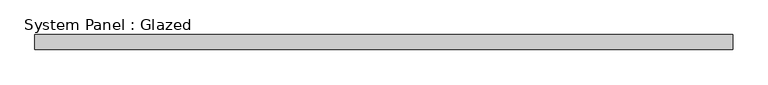
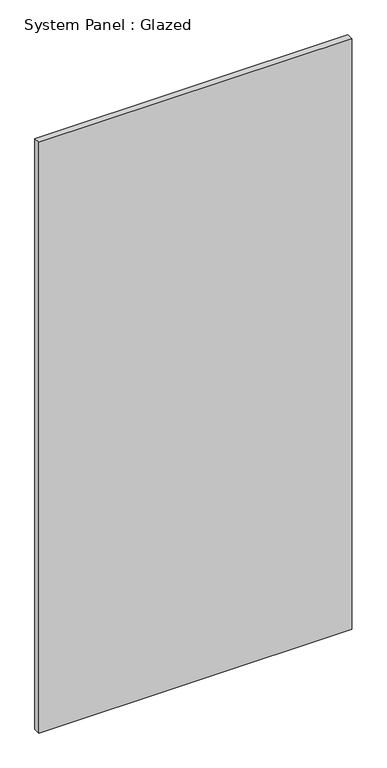
"""IFC4 building model written with IfcOpenShell, lengths in millimetres: plate geometry, System Panel : Glazed."""

import ifcopenshell
import ifcopenshell.guid

model = None  # the IFC model being written
_history = None  # IfcOwnerHistory: only IFC2X3 demands one
_inside = {}  # id of a spatial element -> (the spatial element, [elements in it])
_under = {}  # id of a project, library or spatial element -> (it, [spatial elements below it])
_declared = {}  # id of a project -> (the project, [libraries it declares])
_typed = {}  # id of a type object -> (the type object, [elements of that type])
_made_of = {}  # id of a material, layer set ... -> (it, [elements and type objects made of it])


def new_model(schema):
    """Start an empty IFC model of exactly this schema.

    Asked for "IFC4X3", IfcOpenShell would pick the latest addendum, in which some entities
    have other attributes; the version numbers below select the first issue.
    IFC2X3 requires an IfcOwnerHistory on every rooted entity: one is made here for all.
    """
    global model, _history
    if schema == "IFC4X3":
        model = ifcopenshell.file(schema_version=(4, 3, 0, 0))
    else:
        model = ifcopenshell.file(schema=schema)
    _inside.clear()
    _under.clear()
    _declared.clear()
    _typed.clear()
    _made_of.clear()
    _history = None
    if model.schema == "IFC2X3":
        org = make("IfcOrganization", Name="unknown")
        user = make(
            "IfcPersonAndOrganization",
            ThePerson=make("IfcPerson", FamilyName="unknown"),
            TheOrganization=org,
        )
        app = make(
            "IfcApplication",
            ApplicationDeveloper=org,
            Version="unknown",
            ApplicationFullName="unknown",
            ApplicationIdentifier="unknown",
        )
        _history = make(
            "IfcOwnerHistory",
            OwningUser=user,
            OwningApplication=app,
            ChangeAction="ADDED",
            CreationDate=0,
        )
    return model


def make(cls, **values):
    """One entity of the class cls with the attributes given. An attribute that is None is left unset."""
    return model.create_entity(
        cls, **{name: value for name, value in values.items() if value is not None}
    )


def rooted(cls, **values):
    """An entity with a GlobalId (a new one), such as an element, a storey or a relation."""
    return make(cls, GlobalId=ifcopenshell.guid.new(), OwnerHistory=_history, **values)


def si_unit(unit_type, name, prefix=None):
    """IfcSIUnit, for example si_unit("LENGTHUNIT", "METRE", prefix="MILLI")."""
    return make("IfcSIUnit", UnitType=unit_type, Prefix=prefix, Name=name)


def assignment(units):
    """IfcUnitAssignment: the units of a project."""
    return None if units is None else make("IfcUnitAssignment", Units=units)


def point(xyz):
    """IfcCartesianPoint."""
    return None if xyz is None else make("IfcCartesianPoint", Coordinates=xyz)


def direction(xyz):
    """IfcDirection."""
    return None if xyz is None else make("IfcDirection", DirectionRatios=xyz)


def frame(location, z_axis=None, x_axis=None):
    """IfcAxis2Placement3D, a coordinate frame: its origin and axes. An axis left out is left unset."""
    return make(
        "IfcAxis2Placement3D",
        Location=point(location),
        Axis=direction(z_axis),
        RefDirection=direction(x_axis),
    )


def origin():
    """The frame at (0, 0, 0) with its axes left unset."""
    return frame((0.0, 0.0, 0.0))


def origin_with_axes():
    """The frame at (0, 0, 0) with the z axis (0, 0, 1) and the x axis (1, 0, 0) written out."""
    return frame((0.0, 0.0, 0.0), z_axis=(0.0, 0.0, 1.0), x_axis=(1.0, 0.0, 0.0))


def place(relative_to, where):
    """IfcLocalPlacement: puts the frame where relative to a parent placement (None: the world)."""
    return make(
        "IfcLocalPlacement", PlacementRelTo=relative_to, RelativePlacement=where
    )


def context(
    kind, dimensions, precision=None, world=None, true_north=None, identifier=None
):
    """IfcGeometricRepresentationContext, for example the 3D "Model" context."""
    return make(
        "IfcGeometricRepresentationContext",
        ContextIdentifier=identifier,
        ContextType=kind,
        CoordinateSpaceDimension=dimensions,
        Precision=precision,
        WorldCoordinateSystem=world,
        TrueNorth=true_north,
    )


def project(units=None, contexts=None):
    """IfcProject with its units and contexts."""
    return rooted(
        "IfcProject",
        Name="project",
        RepresentationContexts=contexts,
        UnitsInContext=assignment(units),
    )


def spatial(cls, under=None, at=None, **own):
    """A site, building, storey or space (cls), placed at a placement, below another one or the project."""
    s = rooted(cls, ObjectPlacement=at, **own)
    if under is not None:
        _under.setdefault(under.id(), (under, []))[1].append(s)
    return s


def polyline(points):
    """IfcPolyline through the points."""
    return make("IfcPolyline", Points=[point(p) for p in points])


def outline(outer, holes=None, kind="AREA"):
    """IfcArbitraryClosedProfileDef: a profile drawn as a closed curve; with holes, ...WithVoids."""
    if holes is None:
        return make("IfcArbitraryClosedProfileDef", ProfileType=kind, OuterCurve=outer)
    return make(
        "IfcArbitraryProfileDefWithVoids",
        ProfileType=kind,
        OuterCurve=outer,
        InnerCurves=holes,
    )


def extrude(swept, where, along, depth):
    """IfcExtrudedAreaSolid: the profile swept, set in the frame where, extruded along a direction by depth."""
    return make(
        "IfcExtrudedAreaSolid",
        SweptArea=swept,
        Position=where,
        ExtrudedDirection=direction(along),
        Depth=depth,
    )


def shape(context_of_items, identifier, shape_type, items):
    """IfcShapeRepresentation: the items that make up one representation, for example the "Body"."""
    return make(
        "IfcShapeRepresentation",
        ContextOfItems=context_of_items,
        RepresentationIdentifier=identifier,
        RepresentationType=shape_type,
        Items=items,
    )


def source(mapping_origin, context_of_items, identifier, shape_type, items):
    """IfcRepresentationMap: a shape defined once, which mapped items show again and again."""
    return make(
        "IfcRepresentationMap",
        MappingOrigin=mapping_origin,
        MappedRepresentation=shape(context_of_items, identifier, shape_type, items),
    )


def transform(
    local_origin,
    x_axis=None,
    y_axis=None,
    z_axis=None,
    scale=None,
    scale2=None,
    scale3=None,
    uniform=True,
):
    """IfcCartesianTransformationOperator3D, or its non-uniform kind. x_axis, y_axis, z_axis: its Axis1, 2, 3."""
    if uniform:
        return make(
            "IfcCartesianTransformationOperator3D",
            Axis1=direction(x_axis),
            Axis2=direction(y_axis),
            LocalOrigin=point(local_origin),
            Scale=scale,
            Axis3=direction(z_axis),
        )
    return make(
        "IfcCartesianTransformationOperator3DnonUniform",
        Axis1=direction(x_axis),
        Axis2=direction(y_axis),
        LocalOrigin=point(local_origin),
        Scale=scale,
        Axis3=direction(z_axis),
        Scale2=scale2,
        Scale3=scale3,
    )


def mapped(mapping_source, mapping_target):
    """IfcMappedItem: shows the shape of a source again, moved by a transform."""
    return make(
        "IfcMappedItem", MappingSource=mapping_source, MappingTarget=mapping_target
    )


def made_of(thing, what):
    """Note that an element or type object is made of a material, layer set ...; save() writes the relation."""
    if what is not None:
        _made_of.setdefault(what.id(), (what, []))[1].append(thing)
    return thing


def element(
    cls,
    number,
    at=None,
    inside=None,
    cuts=None,
    type_object=None,
    material=None,
    context=None,
    identifier="Body",
    shape_type=None,
    held_by="IfcProductDefinitionShape",
    body=None,
    shapes=None,
    **own,
):
    """One element of the class cls, such as IfcWall. Its Tag is "e" and its number.

    at: its placement. inside: the storey or other place that contains it. cuts: it is an
    opening in that element (IfcRelVoidsElement). A single representation is given by context,
    identifier, shape_type and body (its items); several are given by shapes. held_by: the class
    of the entity that holds the representations. save() writes the other relations.
    """
    e = rooted(cls, Tag="e%d" % number, ObjectPlacement=at, **own)
    if body is not None:
        shapes = [shape(context, identifier, shape_type, body)]
    if shapes is not None:
        e.Representation = make(held_by, Representations=shapes)
    if inside is not None:
        _inside.setdefault(inside.id(), (inside, []))[1].append(e)
    if cuts is not None:
        rooted(
            "IfcRelVoidsElement", RelatingBuildingElement=cuts, RelatedOpeningElement=e
        )
    if type_object is not None:
        _typed.setdefault(type_object.id(), (type_object, []))[1].append(e)
    return made_of(e, material)


def aggregate(whole, parts):
    """IfcRelAggregates: a whole, such as a stair, and the parts it consists of."""
    return rooted("IfcRelAggregates", RelatingObject=whole, RelatedObjects=parts)


def save(model, path):
    """Write the relations noted so far, then the file.

    IfcRelAggregates (storeys below a building ...), IfcRelContainedInSpatialStructure (elements
    in a storey), IfcRelDefinesByType, IfcRelAssociatesMaterial and IfcRelDeclares: one each for
    every whole, place, type object, material and project.
    """
    for whole, parts in _under.values():
        aggregate(whole, parts)
    for where, things in _inside.values():
        rooted(
            "IfcRelContainedInSpatialStructure",
            RelatedElements=things,
            RelatingStructure=where,
        )
    for kind, things in _typed.values():
        rooted("IfcRelDefinesByType", RelatedObjects=things, RelatingType=kind)
    for what, things in _made_of.values():
        rooted("IfcRelAssociatesMaterial", RelatedObjects=things, RelatingMaterial=what)
    for by, libraries in _declared.values():
        rooted("IfcRelDeclares", RelatingContext=by, RelatedDefinitions=libraries)
    model.write(path)


def system_panel_glazed_bcab2171(model_context):
    return source(origin(), model_context, "Body", "SweptSolid", [
        extrude(outline(polyline([(592.1243315, -12.7), (-592.1243315, -12.7), (-592.1243315, 12.7), (592.1243315, 12.7), (592.1243315, -12.7)])), origin_with_axes(), (0.0, 0.0, 1.0), 2363.8117345),
    ])


if __name__ == "__main__":
    model = new_model("IFC4")
    model_context = context("Model", 3, world=origin())
    ifc_project = project(units=[si_unit("LENGTHUNIT", "METRE", prefix="MILLI")], contexts=[model_context])
    site = spatial("IfcSite", under=ifc_project)
    building = spatial("IfcBuilding", under=site)
    placement = place(None, origin())
    system_panel_glazed_shape = system_panel_glazed_bcab2171(model_context)
    element("IfcPlate", 1, ObjectType="System Panel : Glazed", at=placement, inside=building, context=model_context, shape_type="MappedRepresentation", body=[
        mapped(system_panel_glazed_shape, transform((0.0, 0.0, 0.0), x_axis=(1.0, 0.0, 0.0), y_axis=(0.0, 1.0, 0.0), z_axis=(0.0, 0.0, 1.0))),
    ])
    save(model, "model.ifc")
